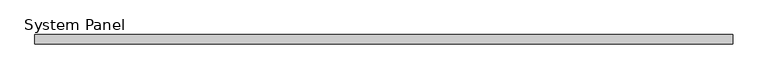
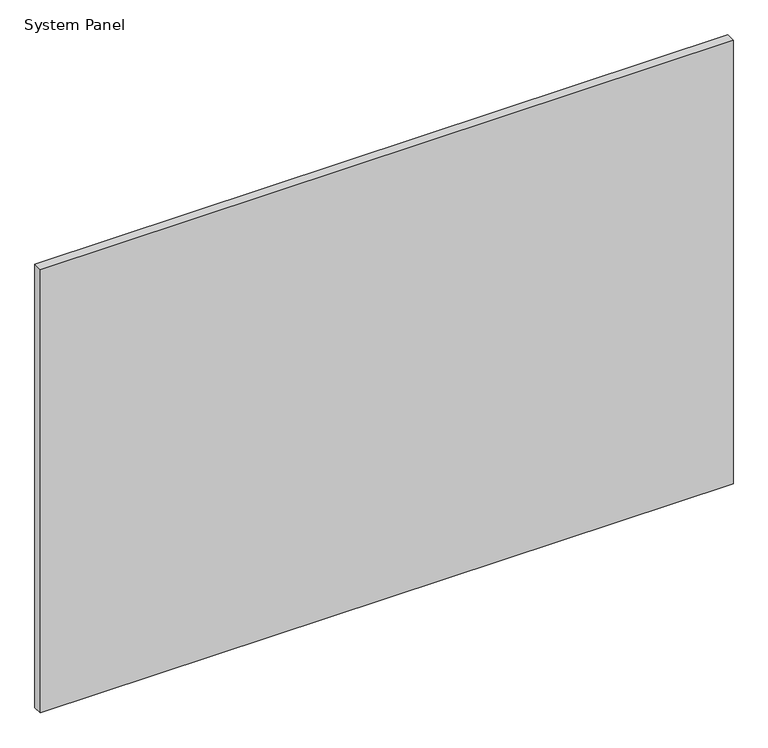
"""IFC4 building model written with IfcOpenShell, lengths in millimetres: plate geometry, System Panel."""

from ifc_helpers import new_model, si_unit, origin, origin_with_axes, place, context, project, spatial, polyline, outline, extrude, source, transform, mapped, element, save


def system_panel_f38827c5(model_context):
    return source(origin(), model_context, "Body", "SweptSolid", [
        extrude(outline(polyline([(595.0, -8.0), (-595.0, -8.0), (-595.0, 8.0), (595.0, 8.0), (595.0, -8.0)])), origin_with_axes(), (0.0, 0.0, 1.0), 805.0),
    ])


if __name__ == "__main__":
    model = new_model("IFC4")
    model_context = context("Model", 3, world=origin())
    ifc_project = project(units=[si_unit("LENGTHUNIT", "METRE", prefix="MILLI")], contexts=[model_context])
    site = spatial("IfcSite", under=ifc_project)
    building = spatial("IfcBuilding", under=site)
    placement = place(None, origin())
    system_panel_shape = system_panel_f38827c5(model_context)
    element("IfcPlate", 1, ObjectType="System Panel", at=placement, inside=building, context=model_context, shape_type="MappedRepresentation", body=[
        mapped(system_panel_shape, transform((0.0, 0.0, 0.0), x_axis=(1.0, 0.0, 0.0), y_axis=(0.0, 1.0, 0.0), z_axis=(0.0, 0.0, 1.0))),
    ])
    save(model, "model.ifc")
